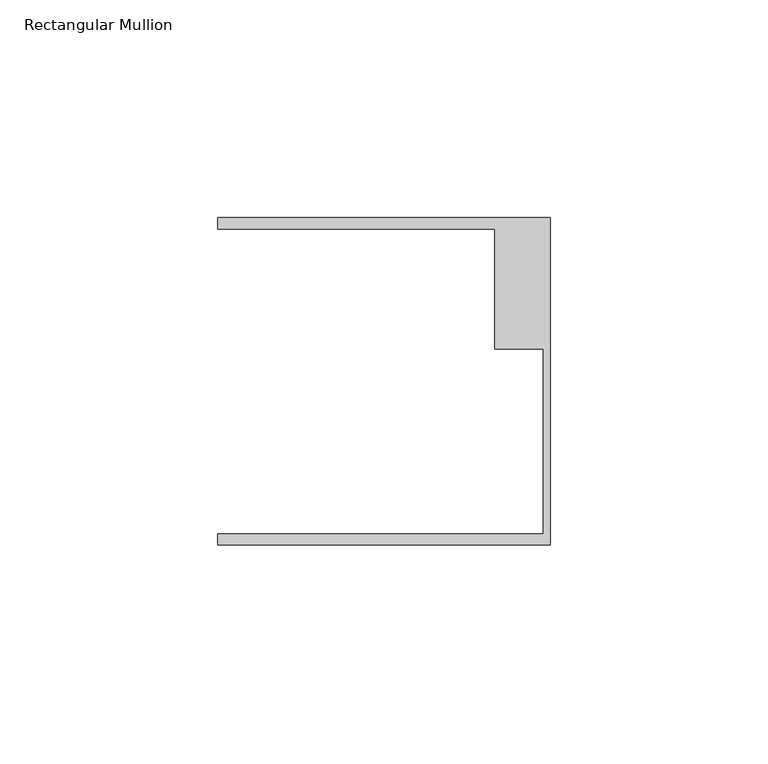
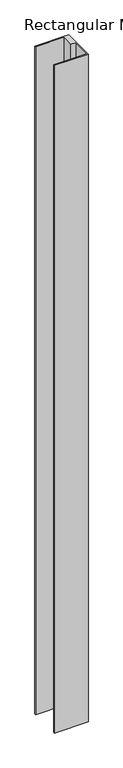
"""IFC4 building model written with IfcOpenShell, lengths in millimetres: member geometry, Rectangular Mullion."""

from ifc_helpers import new_model, si_unit, frame, origin, place, context, project, spatial, polyline, outline, extrude, source, transform, mapped, element, save


def rectangular_mullion_543c242e(model_context):
    return source(origin(), model_context, "Body", "SweptSolid", [
        extrude(outline(polyline([(0.0, -37.5776386), (-76.2, -37.5776386), (-76.2, -35.0376386), (-1.5875, -35.0376386), (-1.5875, 7.3398614), (-12.7, 7.3398614), (-12.7, 34.9623614), (-76.2, 34.9623614), (-76.2, 37.5023614), (0.0, 37.5023614), (0.0, -37.5776386)])), frame((0.0, 0.0, -1589.2718753), z_axis=(0.0, 0.0, 1.0), x_axis=(1.0, 0.0, 0.0)), (0.0, 0.0, 1.0), 1589.2718753),
    ])


if __name__ == "__main__":
    model = new_model("IFC4")
    model_context = context("Model", 3, world=origin())
    ifc_project = project(units=[si_unit("LENGTHUNIT", "METRE", prefix="MILLI")], contexts=[model_context])
    site = spatial("IfcSite", under=ifc_project)
    building = spatial("IfcBuilding", under=site)
    placement = place(None, origin())
    rectangular_mullion_shape = rectangular_mullion_543c242e(model_context)
    element("IfcMember", 1, ObjectType="Rectangular Mullion", at=placement, inside=building, context=model_context, shape_type="MappedRepresentation", body=[
        mapped(rectangular_mullion_shape, transform((0.0, 0.0, 0.0), x_axis=(1.0, 0.0, 0.0), y_axis=(0.0, 1.0, 0.0), z_axis=(0.0, 0.0, 1.0))),
    ])
    save(model, "model.ifc")
